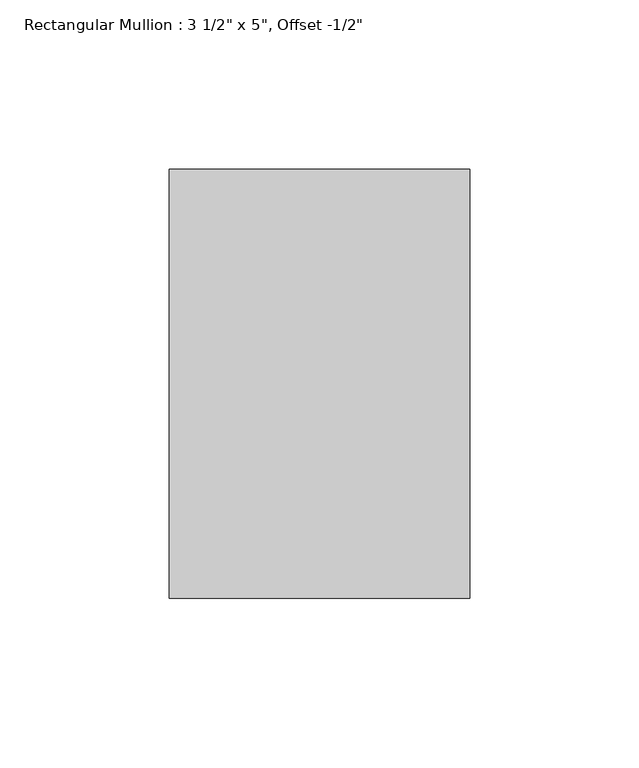
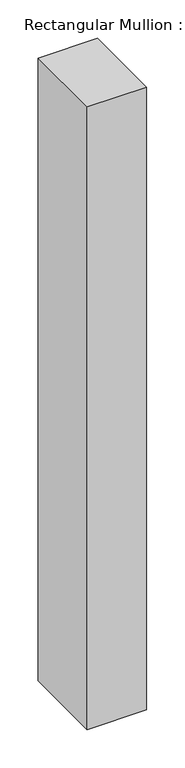
"""IFC4 building model written with IfcOpenShell, lengths in millimetres: member geometry."""

from ifc_helpers import new_model, si_unit, frame, origin, place, context, project, spatial, polyline, outline, extrude, source, transform, mapped, element, save


def member_da22bd8a(model_context):
    return source(origin(), model_context, "Body", "SweptSolid", [
        extrude(outline(polyline([(0.0, 76.2), (0.0, -50.8), (-88.9, -50.8), (-88.9, 76.2), (0.0, 76.2)])), frame((0.0, 0.0, -987.425), z_axis=(0.0, 0.0, 1.0), x_axis=(1.0, 0.0, 0.0)), (0.0, 0.0, 1.0), 987.425),
    ])


if __name__ == "__main__":
    model = new_model("IFC4")
    model_context = context("Model", 3, world=origin())
    ifc_project = project(units=[si_unit("LENGTHUNIT", "METRE", prefix="MILLI")], contexts=[model_context])
    site = spatial("IfcSite", under=ifc_project)
    building = spatial("IfcBuilding", under=site)
    placement = place(None, origin())
    member_shape = member_da22bd8a(model_context)
    element("IfcMember", 1, ObjectType="Rectangular Mullion : 3 1/2\" x 5\", Offset -1/2\"", at=placement, inside=building, context=model_context, shape_type="MappedRepresentation", body=[
        mapped(member_shape, transform((0.0, 0.0, 0.0), x_axis=(1.0, 0.0, 0.0), y_axis=(0.0, 1.0, 0.0), z_axis=(0.0, 0.0, 1.0))),
    ])
    save(model, "model.ifc")
